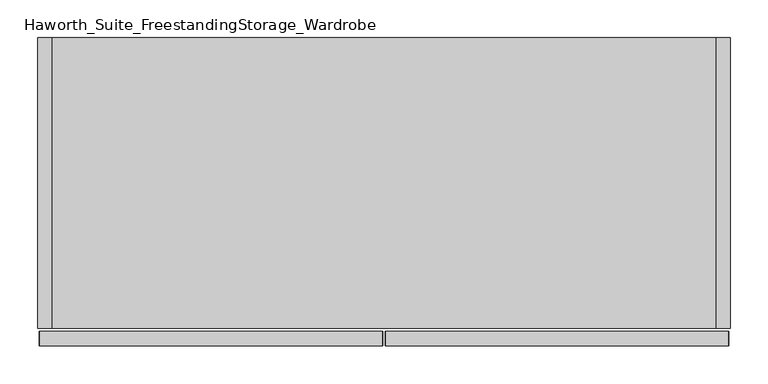
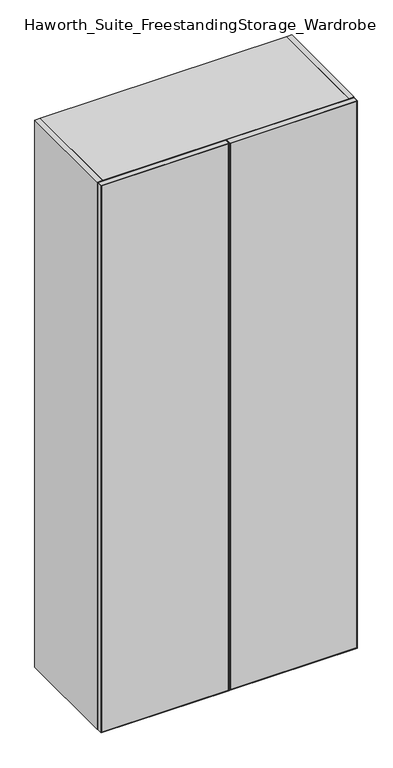
"""IFC4 building model written with IfcOpenShell, lengths in millimetres: furniture geometry, Haworth_Suite_FreestandingStorage_Wardrobe."""

from ifc_helpers import new_model, si_unit, point, frame, frame_2d, origin, origin_with_axes, place, context, project, spatial, polyline, circle_curve, trimmed, segment, composite_curve, outline, extrude, source, transform, mapped, element, save


def haworth_suite_freestandingstorage_wardrobe_0d540aaa(model_context):
    return source(origin(), model_context, "Body", "SweptSolid", [
        extrude(outline(polyline([(2057.4, -14.2875), (2055.8125, -15.875), (1.5875, -15.875), (0.0, -14.2875), (2057.4, -14.2875)])), frame((0.0, -419.89375, 0.0), z_axis=(0.0, 1.0, 0.0), x_axis=(0.0, 0.0, 1.0)), (0.0, 0.0, 1.0), 19.05),
        extrude(outline(polyline([(2057.4, -468.3125), (0.0, -468.3125), (1.5875, -466.725), (2055.8125, -466.725), (2057.4, -468.3125)])), frame((0.0, -419.89375, 0.0), z_axis=(0.0, 1.0, 0.0), x_axis=(0.0, 0.0, 1.0)), (0.0, 0.0, 1.0), 19.05),
        extrude(outline(polyline([(2055.8125, -15.875), (2057.4, -14.2875), (2057.4, -468.3125), (2055.8125, -466.725), (2055.8125, -15.875)])), frame((0.0, -419.89375, 0.0), z_axis=(0.0, 1.0, 0.0), x_axis=(0.0, 0.0, 1.0)), (0.0, 0.0, 1.0), 19.05),
        extrude(outline(polyline([(1.5875, -15.875), (1.5875, -466.725), (0.0, -468.3125), (0.0, -14.2875), (1.5875, -15.875)])), frame((0.0, -419.89375, 0.0), z_axis=(0.0, 1.0, 0.0), x_axis=(0.0, 0.0, 1.0)), (0.0, 0.0, 1.0), 19.05),
        extrude(outline(polyline([(-466.725, -401.6375), (-15.875, -401.6375), (-15.875, -419.1), (-466.725, -419.1), (-466.725, -401.6375)])), frame((0.0, 0.0, 1.5875), z_axis=(0.0, 0.0, 1.0), x_axis=(1.0, 0.0, 0.0)), (0.0, 0.0, 1.0), 2054.225),
        extrude(outline(polyline([(2057.4, -11.1125), (0.0, -11.1125), (1.5875, -9.525), (2055.8125, -9.525), (2057.4, -11.1125)])), frame((0.0, -419.89375, 0.0), z_axis=(0.0, 1.0, 0.0), x_axis=(0.0, 0.0, 1.0)), (0.0, 0.0, 1.0), 19.05),
        extrude(outline(polyline([(2057.4, 442.9125), (2055.8125, 441.325), (1.5875, 441.325), (0.0, 442.9125), (2057.4, 442.9125)])), frame((0.0, -419.89375, 0.0), z_axis=(0.0, 1.0, 0.0), x_axis=(0.0, 0.0, 1.0)), (0.0, 0.0, 1.0), 19.05),
        extrude(outline(polyline([(2055.8125, -9.525), (2055.8125, 441.325), (2057.4, 442.9125), (2057.4, -11.1125), (2055.8125, -9.525)])), frame((0.0, -419.89375, 0.0), z_axis=(0.0, 1.0, 0.0), x_axis=(0.0, 0.0, 1.0)), (0.0, 0.0, 1.0), 19.05),
        extrude(outline(polyline([(1.5875, -9.525), (0.0, -11.1125), (0.0, 442.9125), (1.5875, 441.325), (1.5875, -9.525)])), frame((0.0, -419.89375, 0.0), z_axis=(0.0, 1.0, 0.0), x_axis=(0.0, 0.0, 1.0)), (0.0, 0.0, 1.0), 19.05),
        extrude(outline(polyline([(441.325, -401.6375), (441.325, -419.1), (-9.525, -419.1), (-9.525, -401.6375), (441.325, -401.6375)])), frame((0.0, 0.0, 1.5875), z_axis=(0.0, 0.0, 1.0), x_axis=(1.0, 0.0, 0.0)), (0.0, 0.0, 1.0), 2054.225),
        extrude(outline(composite_curve([segment(trimmed(circle_curve(frame_2d((1524.0, 158.75)), 12.7), [point((1524.0, 171.45))], [point((1524.0, 146.05))], False, "CARTESIAN"), True, "CONTINUOUS"), segment(trimmed(circle_curve(frame_2d((1524.0, 158.75)), 12.7), [point((1524.0, 146.05))], [point((1524.0, 171.45))], False, "CARTESIAN"), True, "CONTINUOUS")], self_intersect=False)), frame((0.0, -88.9, 0.0), z_axis=(0.0, 1.0, 0.0), x_axis=(0.0, 0.0, 1.0)), (0.0, 0.0, 1.0), 57.15),
        extrude(outline(polyline([(-107.95, -31.75), (-107.95, -396.875), (-127.0, -396.875), (-127.0, -31.75), (-107.95, -31.75)])), frame((0.0, 0.0, 38.1), z_axis=(0.0, 0.0, 1.0), x_axis=(1.0, 0.0, 0.0)), (0.0, 0.0, 1.0), 2000.25),
        extrude(outline(polyline([(-127.0, -31.75), (-127.0, -377.825), (-450.85, -377.825), (-450.85, -31.75), (-127.0, -31.75)])), frame((0.0, 0.0, 1631.95), z_axis=(0.0, 0.0, 1.0), x_axis=(1.0, 0.0, 0.0)), (0.0, 0.0, 1.0), 19.05),
        extrude(outline(polyline([(-127.0, -31.75), (-127.0, -377.825), (-450.85, -377.825), (-450.85, -31.75), (-127.0, -31.75)])), frame((0.0, 0.0, 431.8), z_axis=(0.0, 0.0, 1.0), x_axis=(1.0, 0.0, 0.0)), (0.0, 0.0, 1.0), 19.05),
        extrude(outline(polyline([(-127.0, -31.75), (-127.0, -377.825), (-450.85, -377.825), (-450.85, -31.75), (-127.0, -31.75)])), frame((0.0, 0.0, 831.85), z_axis=(0.0, 0.0, 1.0), x_axis=(1.0, 0.0, 0.0)), (0.0, 0.0, 1.0), 19.05),
        extrude(outline(polyline([(-127.0, -31.75), (-127.0, -377.825), (-450.85, -377.825), (-450.85, -31.75), (-127.0, -31.75)])), frame((0.0, 0.0, 1231.9), z_axis=(0.0, 0.0, 1.0), x_axis=(1.0, 0.0, 0.0)), (0.0, 0.0, 1.0), 19.05),
        extrude(outline(polyline([(425.45, -12.7), (425.45, -396.875), (-450.85, -396.875), (-450.85, -12.7), (425.45, -12.7)])), frame((0.0, 0.0, 2038.35), z_axis=(0.0, 0.0, 1.0), x_axis=(1.0, 0.0, 0.0)), (0.0, 0.0, 1.0), 19.05),
        extrude(outline(polyline([(425.45, -12.7), (425.45, -31.75), (-450.85, -31.75), (-450.85, -12.7), (425.45, -12.7)])), origin_with_axes(), (0.0, 0.0, 1.0), 2038.35),
        extrude(outline(polyline([(425.45, -31.75), (425.45, -396.875), (-450.85, -396.875), (-450.85, -31.75), (425.45, -31.75)])), origin_with_axes(), (0.0, 0.0, 1.0), 38.1),
        extrude(outline(polyline([(-450.85, -12.7), (-450.85, -396.875), (-469.9, -396.875), (-469.9, -12.7), (-450.85, -12.7)])), origin_with_axes(), (0.0, 0.0, 1.0), 2057.4),
        extrude(outline(polyline([(444.5, -396.875), (425.45, -396.875), (425.45, -12.7), (444.5, -12.7), (444.5, -396.875)])), origin_with_axes(), (0.0, 0.0, 1.0), 2057.4),
    ])


if __name__ == "__main__":
    model = new_model("IFC4")
    model_context = context("Model", 3, world=origin())
    ifc_project = project(units=[si_unit("LENGTHUNIT", "METRE", prefix="MILLI")], contexts=[model_context])
    site = spatial("IfcSite", under=ifc_project)
    building = spatial("IfcBuilding", under=site)
    placement = place(None, origin())
    haworth_suite_freestandingstorage_wardrobe_shape = haworth_suite_freestandingstorage_wardrobe_0d540aaa(model_context)
    element("IfcFurniture", 1, ObjectType="Haworth_Suite_FreestandingStorage_Wardrobe", at=placement, inside=building, context=model_context, shape_type="MappedRepresentation", body=[
        mapped(haworth_suite_freestandingstorage_wardrobe_shape, transform((0.0, 0.0, 0.0), x_axis=(1.0, 0.0, 0.0), y_axis=(0.0, 1.0, 0.0), z_axis=(0.0, 0.0, 1.0))),
    ])
    save(model, "model.ifc")
